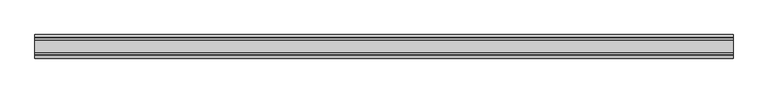
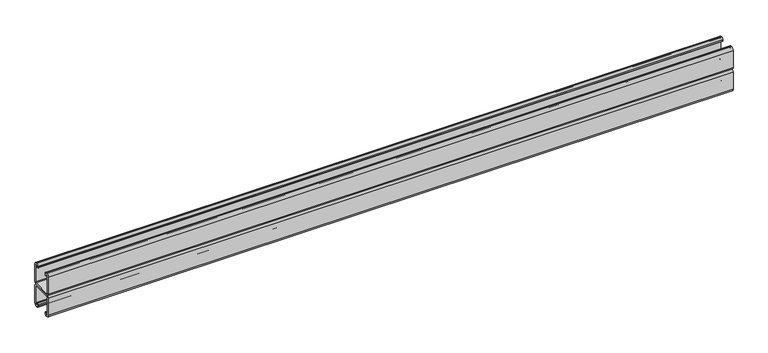
"""IFC4 building model written with IfcOpenShell, lengths in millimetres: proxy geometry."""

from ifc_helpers import new_model, si_unit, point, frame, frame_2d, origin, place, context, project, spatial, polyline, circle_curve, trimmed, segment, composite_curve, outline, extrude, source, transform, mapped, element, save


def specialty_equipment_5cee86b6(model_context):
    return source(origin(), model_context, "Body", "SweptSolid", [
        extrude(outline(composite_curve([segment(polyline([(-16.5186879, 2943.733), (16.5186879, 2943.733)]), True, "CONTINUOUS"), segment(trimmed(circle_curve(frame_2d((16.5186879, 2945.1848121)), 1.4518121), [point((16.5186879, 2943.733))], [point((17.9705, 2945.1848121))], True, "CARTESIAN"), True, "CONTINUOUS"), segment(polyline([(17.9705, 2945.1848121), (17.9705, 2977.066)]), True, "CONTINUOUS"), segment(trimmed(circle_curve(frame_2d((15.6705, 2977.066)), 2.3), [point((17.9705, 2977.066))], [point((15.6705, 2979.366))], True, "CARTESIAN"), True, "CONTINUOUS"), segment(polyline([(15.6705, 2979.366), (14.4936781, 2979.366)]), True, "CONTINUOUS"), segment(trimmed(circle_curve(frame_2d((14.4936781, 2978.6518219)), 0.7141781), [point((14.4936781, 2979.366))], [point((13.7795, 2978.6518219))], True, "CARTESIAN"), True, "CONTINUOUS"), segment(polyline([(13.7795, 2978.6518219), (13.7795, 2976.2621)]), True, "CONTINUOUS"), segment(trimmed(circle_curve(frame_2d((12.446, 2976.2621)), 1.3335), [point((13.7795, 2976.2621))], [point((11.1125, 2976.2621))], False, "CARTESIAN"), True, "CONTINUOUS"), segment(polyline([(11.1125, 2976.2621), (11.1125, 2978.6518219)]), True, "CONTINUOUS"), segment(trimmed(circle_curve(frame_2d((14.5266781, 2978.6518219)), 3.4141781), [point((11.1125, 2978.6518219))], [point((14.5266781, 2982.066))], False, "CARTESIAN"), True, "CONTINUOUS"), segment(polyline([(14.5266781, 2982.066), (15.6705, 2982.066)]), True, "CONTINUOUS"), segment(trimmed(circle_curve(frame_2d((15.6705, 2977.066)), 5.0), [point((15.6705, 2982.066))], [point((20.6705, 2977.066))], False, "CARTESIAN"), True, "CONTINUOUS"), segment(polyline([(20.6705, 2977.066), (20.6705, 2945.1848121)]), True, "CONTINUOUS"), segment(trimmed(circle_curve(frame_2d((16.5186879, 2945.1848121)), 4.1518121), [point((20.6705, 2945.1848121))], [point((16.5186879, 2941.033))], False, "CARTESIAN"), True, "CONTINUOUS"), segment(polyline([(16.5186879, 2941.033), (-16.5186879, 2941.033)]), True, "CONTINUOUS"), segment(trimmed(circle_curve(frame_2d((-16.5186879, 2945.1848121)), 4.1518121), [point((-16.5186879, 2941.033))], [point((-20.6705, 2945.1848121))], False, "CARTESIAN"), True, "CONTINUOUS"), segment(polyline([(-20.6705, 2945.1848121), (-20.6705, 2977.066)]), True, "CONTINUOUS"), segment(trimmed(circle_curve(frame_2d((-15.6705, 2977.066)), 5.0), [point((-20.6705, 2977.066))], [point((-15.6705, 2982.066))], False, "CARTESIAN"), True, "CONTINUOUS"), segment(polyline([(-15.6705, 2982.066), (-14.5266781, 2982.066)]), True, "CONTINUOUS"), segment(trimmed(circle_curve(frame_2d((-14.5266781, 2978.6518219)), 3.4141781), [point((-14.5266781, 2982.066))], [point((-11.1125, 2978.6518219))], False, "CARTESIAN"), True, "CONTINUOUS"), segment(polyline([(-11.1125, 2978.6518219), (-11.1125, 2976.2621)]), True, "CONTINUOUS"), segment(trimmed(circle_curve(frame_2d((-12.446, 2976.2621)), 1.3335), [point((-11.1125, 2976.2621))], [point((-13.7795, 2976.2621))], False, "CARTESIAN"), True, "CONTINUOUS"), segment(polyline([(-13.7795, 2976.2621), (-13.7795, 2978.6518219)]), True, "CONTINUOUS"), segment(trimmed(circle_curve(frame_2d((-14.4936781, 2978.6518219)), 0.7141781), [point((-13.7795, 2978.6518219))], [point((-14.4936781, 2979.366))], True, "CARTESIAN"), True, "CONTINUOUS"), segment(polyline([(-14.4936781, 2979.366), (-15.6705, 2979.366)]), True, "CONTINUOUS"), segment(trimmed(circle_curve(frame_2d((-15.6705, 2977.066)), 2.3), [point((-15.6705, 2979.366))], [point((-17.9705, 2977.066))], True, "CARTESIAN"), True, "CONTINUOUS"), segment(polyline([(-17.9705, 2977.066), (-17.9705, 2945.1848121)]), True, "CONTINUOUS"), segment(trimmed(circle_curve(frame_2d((-16.5186879, 2945.1848121)), 1.4518121), [point((-17.9705, 2945.1848121))], [point((-16.5186879, 2943.733))], True, "CARTESIAN"), True, "CONTINUOUS")], self_intersect=False)), frame((-610.0, 0.0, 0.0), z_axis=(1.0, 0.0, 0.0), x_axis=(0.0, 1.0, 0.0)), (0.0, 0.0, 1.0), 1220.0),
        extrude(outline(composite_curve([segment(polyline([(16.5186879, 2938.333), (-16.5186879, 2938.333)]), True, "CONTINUOUS"), segment(trimmed(circle_curve(frame_2d((-16.5186879, 2936.8811879)), 1.4518121), [point((-16.5186879, 2938.333))], [point((-17.9705, 2936.8811879))], True, "CARTESIAN"), True, "CONTINUOUS"), segment(polyline([(-17.9705, 2936.8811879), (-17.9705, 2905.0)]), True, "CONTINUOUS"), segment(trimmed(circle_curve(frame_2d((-15.6705, 2905.0)), 2.3), [point((-17.9705, 2905.0))], [point((-15.6705, 2902.7))], True, "CARTESIAN"), True, "CONTINUOUS"), segment(polyline([(-15.6705, 2902.7), (-14.4936781, 2902.7)]), True, "CONTINUOUS"), segment(trimmed(circle_curve(frame_2d((-14.4936781, 2903.4141781)), 0.7141781), [point((-14.4936781, 2902.7))], [point((-13.7795, 2903.4141781))], True, "CARTESIAN"), True, "CONTINUOUS"), segment(polyline([(-13.7795, 2903.4141781), (-13.7795, 2905.8039)]), True, "CONTINUOUS"), segment(trimmed(circle_curve(frame_2d((-12.446, 2905.8039)), 1.3335), [point((-13.7795, 2905.8039))], [point((-11.1125, 2905.8039))], False, "CARTESIAN"), True, "CONTINUOUS"), segment(polyline([(-11.1125, 2905.8039), (-11.1125, 2903.4141781)]), True, "CONTINUOUS"), segment(trimmed(circle_curve(frame_2d((-14.5266781, 2903.4141781)), 3.4141781), [point((-11.1125, 2903.4141781))], [point((-14.5266781, 2900.0))], False, "CARTESIAN"), True, "CONTINUOUS"), segment(polyline([(-14.5266781, 2900.0), (-15.6705, 2900.0)]), True, "CONTINUOUS"), segment(trimmed(circle_curve(frame_2d((-15.6705, 2905.0)), 5.0), [point((-15.6705, 2900.0))], [point((-20.6705, 2905.0))], False, "CARTESIAN"), True, "CONTINUOUS"), segment(polyline([(-20.6705, 2905.0), (-20.6705, 2936.8811879)]), True, "CONTINUOUS"), segment(trimmed(circle_curve(frame_2d((-16.5186879, 2936.8811879)), 4.1518121), [point((-20.6705, 2936.8811879))], [point((-16.5186879, 2941.033))], False, "CARTESIAN"), True, "CONTINUOUS"), segment(polyline([(-16.5186879, 2941.033), (16.5186879, 2941.033)]), True, "CONTINUOUS"), segment(trimmed(circle_curve(frame_2d((16.5186879, 2936.8811879)), 4.1518121), [point((16.5186879, 2941.033))], [point((20.6705, 2936.8811879))], False, "CARTESIAN"), True, "CONTINUOUS"), segment(polyline([(20.6705, 2936.8811879), (20.6705, 2905.0)]), True, "CONTINUOUS"), segment(trimmed(circle_curve(frame_2d((15.6705, 2905.0)), 5.0), [point((20.6705, 2905.0))], [point((15.6705, 2900.0))], False, "CARTESIAN"), True, "CONTINUOUS"), segment(polyline([(15.6705, 2900.0), (14.5266781, 2900.0)]), True, "CONTINUOUS"), segment(trimmed(circle_curve(frame_2d((14.5266781, 2903.4141781)), 3.4141781), [point((14.5266781, 2900.0))], [point((11.1125, 2903.4141781))], False, "CARTESIAN"), True, "CONTINUOUS"), segment(polyline([(11.1125, 2903.4141781), (11.1125, 2905.8039)]), True, "CONTINUOUS"), segment(trimmed(circle_curve(frame_2d((12.446, 2905.8039)), 1.3335), [point((11.1125, 2905.8039))], [point((13.7795, 2905.8039))], False, "CARTESIAN"), True, "CONTINUOUS"), segment(polyline([(13.7795, 2905.8039), (13.7795, 2903.4141781)]), True, "CONTINUOUS"), segment(trimmed(circle_curve(frame_2d((14.4936781, 2903.4141781)), 0.7141781), [point((13.7795, 2903.4141781))], [point((14.4936781, 2902.7))], True, "CARTESIAN"), True, "CONTINUOUS"), segment(polyline([(14.4936781, 2902.7), (15.6705, 2902.7)]), True, "CONTINUOUS"), segment(trimmed(circle_curve(frame_2d((15.6705, 2905.0)), 2.3), [point((15.6705, 2902.7))], [point((17.9705, 2905.0))], True, "CARTESIAN"), True, "CONTINUOUS"), segment(polyline([(17.9705, 2905.0), (17.9705, 2936.8811879)]), True, "CONTINUOUS"), segment(trimmed(circle_curve(frame_2d((16.5186879, 2936.8811879)), 1.4518121), [point((17.9705, 2936.8811879))], [point((16.5186879, 2938.333))], True, "CARTESIAN"), True, "CONTINUOUS")], self_intersect=False)), frame((-610.0, 0.0, 0.0), z_axis=(1.0, 0.0, 0.0), x_axis=(0.0, 1.0, 0.0)), (0.0, 0.0, 1.0), 1220.0),
    ])


if __name__ == "__main__":
    model = new_model("IFC4")
    model_context = context("Model", 3, world=origin())
    ifc_project = project(units=[si_unit("LENGTHUNIT", "METRE", prefix="MILLI")], contexts=[model_context])
    site = spatial("IfcSite", under=ifc_project)
    building = spatial("IfcBuilding", under=site)
    placement = place(None, origin())
    specialty_equipment_shape = specialty_equipment_5cee86b6(model_context)
    element("IfcBuildingElementProxy", 1, Name="Specialty Equipment", at=placement, inside=building, context=model_context, shape_type="MappedRepresentation", body=[
        mapped(specialty_equipment_shape, transform((0.0, 0.0, 0.0), x_axis=(1.0, 0.0, 0.0), y_axis=(0.0, 1.0, 0.0), z_axis=(0.0, 0.0, 1.0))),
    ])
    save(model, "model.ifc")
